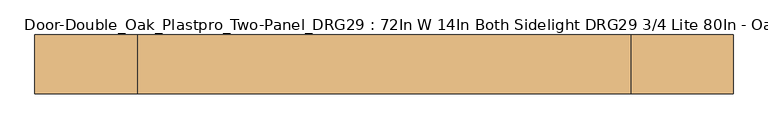
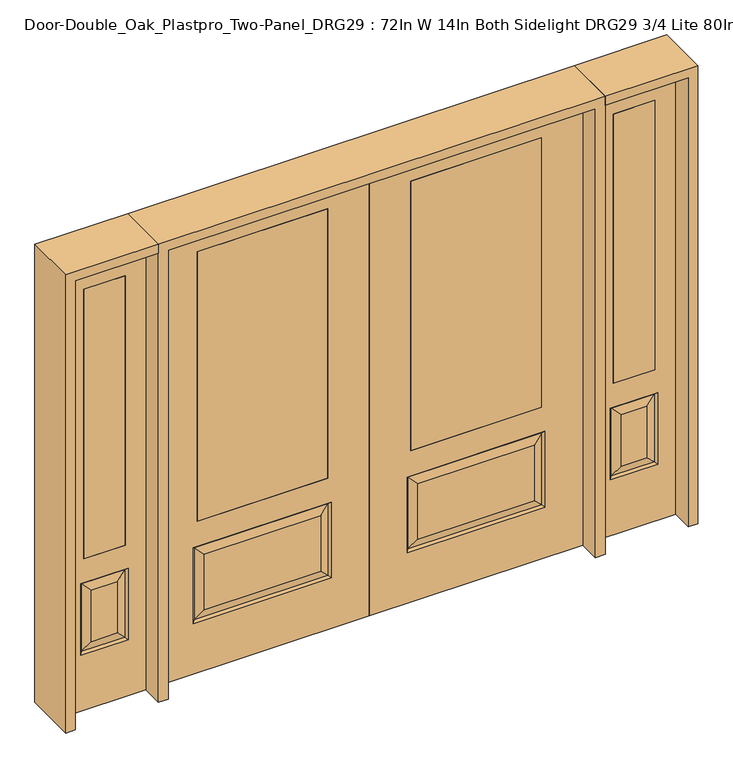
"""IFC4 building model written with IfcOpenShell, lengths in millimetres: door geometry, Door-Double_Oak_Plastpro_Two-Panel_DRG29 : 72In W 14In Both Sidelight DRG29 3/4 Lite 80In - Oak."""

import ifcopenshell
import ifcopenshell.guid

model = None  # the IFC model being written
_history = None  # IfcOwnerHistory: only IFC2X3 demands one
_inside = {}  # id of a spatial element -> (the spatial element, [elements in it])
_under = {}  # id of a project, library or spatial element -> (it, [spatial elements below it])
_declared = {}  # id of a project -> (the project, [libraries it declares])
_typed = {}  # id of a type object -> (the type object, [elements of that type])
_made_of = {}  # id of a material, layer set ... -> (it, [elements and type objects made of it])


def new_model(schema):
    """Start an empty IFC model of exactly this schema.

    Asked for "IFC4X3", IfcOpenShell would pick the latest addendum, in which some entities
    have other attributes; the version numbers below select the first issue.
    IFC2X3 requires an IfcOwnerHistory on every rooted entity: one is made here for all.
    """
    global model, _history
    if schema == "IFC4X3":
        model = ifcopenshell.file(schema_version=(4, 3, 0, 0))
    else:
        model = ifcopenshell.file(schema=schema)
    _inside.clear()
    _under.clear()
    _declared.clear()
    _typed.clear()
    _made_of.clear()
    _history = None
    if model.schema == "IFC2X3":
        org = make("IfcOrganization", Name="unknown")
        user = make(
            "IfcPersonAndOrganization",
            ThePerson=make("IfcPerson", FamilyName="unknown"),
            TheOrganization=org,
        )
        app = make(
            "IfcApplication",
            ApplicationDeveloper=org,
            Version="unknown",
            ApplicationFullName="unknown",
            ApplicationIdentifier="unknown",
        )
        _history = make(
            "IfcOwnerHistory",
            OwningUser=user,
            OwningApplication=app,
            ChangeAction="ADDED",
            CreationDate=0,
        )
    return model


def make(cls, **values):
    """One entity of the class cls with the attributes given. An attribute that is None is left unset."""
    return model.create_entity(
        cls, **{name: value for name, value in values.items() if value is not None}
    )


def rooted(cls, **values):
    """An entity with a GlobalId (a new one), such as an element, a storey or a relation."""
    return make(cls, GlobalId=ifcopenshell.guid.new(), OwnerHistory=_history, **values)


def si_unit(unit_type, name, prefix=None):
    """IfcSIUnit, for example si_unit("LENGTHUNIT", "METRE", prefix="MILLI")."""
    return make("IfcSIUnit", UnitType=unit_type, Prefix=prefix, Name=name)


def assignment(units):
    """IfcUnitAssignment: the units of a project."""
    return None if units is None else make("IfcUnitAssignment", Units=units)


def point(xyz):
    """IfcCartesianPoint."""
    return None if xyz is None else make("IfcCartesianPoint", Coordinates=xyz)


def direction(xyz):
    """IfcDirection."""
    return None if xyz is None else make("IfcDirection", DirectionRatios=xyz)


def frame(location, z_axis=None, x_axis=None):
    """IfcAxis2Placement3D, a coordinate frame: its origin and axes. An axis left out is left unset."""
    return make(
        "IfcAxis2Placement3D",
        Location=point(location),
        Axis=direction(z_axis),
        RefDirection=direction(x_axis),
    )


def origin():
    """The frame at (0, 0, 0) with its axes left unset."""
    return frame((0.0, 0.0, 0.0))


def place(relative_to, where):
    """IfcLocalPlacement: puts the frame where relative to a parent placement (None: the world)."""
    return make(
        "IfcLocalPlacement", PlacementRelTo=relative_to, RelativePlacement=where
    )


def context(
    kind, dimensions, precision=None, world=None, true_north=None, identifier=None
):
    """IfcGeometricRepresentationContext, for example the 3D "Model" context."""
    return make(
        "IfcGeometricRepresentationContext",
        ContextIdentifier=identifier,
        ContextType=kind,
        CoordinateSpaceDimension=dimensions,
        Precision=precision,
        WorldCoordinateSystem=world,
        TrueNorth=true_north,
    )


def project(units=None, contexts=None):
    """IfcProject with its units and contexts."""
    return rooted(
        "IfcProject",
        Name="project",
        RepresentationContexts=contexts,
        UnitsInContext=assignment(units),
    )


def spatial(cls, under=None, at=None, **own):
    """A site, building, storey or space (cls), placed at a placement, below another one or the project."""
    s = rooted(cls, ObjectPlacement=at, **own)
    if under is not None:
        _under.setdefault(under.id(), (under, []))[1].append(s)
    return s


def polyline(points):
    """IfcPolyline through the points."""
    return make("IfcPolyline", Points=[point(p) for p in points])


def outline(outer, holes=None, kind="AREA"):
    """IfcArbitraryClosedProfileDef: a profile drawn as a closed curve; with holes, ...WithVoids."""
    if holes is None:
        return make("IfcArbitraryClosedProfileDef", ProfileType=kind, OuterCurve=outer)
    return make(
        "IfcArbitraryProfileDefWithVoids",
        ProfileType=kind,
        OuterCurve=outer,
        InnerCurves=holes,
    )


def extrude(swept, where, along, depth):
    """IfcExtrudedAreaSolid: the profile swept, set in the frame where, extruded along a direction by depth."""
    return make(
        "IfcExtrudedAreaSolid",
        SweptArea=swept,
        Position=where,
        ExtrudedDirection=direction(along),
        Depth=depth,
    )


def faces_of(points, faces, orient=None, outer=None):
    """IfcFace entities. A face is a list of loops; a loop is a list of indices into points, from 0.

    orient and outer hold one flag for each loop. By default every Orientation is true, the
    first loop of a face is its IfcFaceOuterBound and the others are IfcFaceBound.
    """
    made = []
    for i, loops in enumerate(faces):
        bounds = []
        for j, loop in enumerate(loops):
            is_outer = j == 0 if outer is None else outer[i][j]
            bounds.append(
                make(
                    "IfcFaceOuterBound" if is_outer else "IfcFaceBound",
                    Bound=make("IfcPolyLoop", Polygon=[points[k] for k in loop]),
                    Orientation=True if orient is None else orient[i][j],
                )
            )
        made.append(make("IfcFace", Bounds=bounds))
    return made


def faceted_brep(points, faces, orient=None, outer=None, voids=None):
    """IfcFacetedBrep: a solid bounded by flat faces; with voids (closed shells), ...WithVoids."""
    shared = [point(p) for p in points]
    hull = make("IfcClosedShell", CfsFaces=faces_of(shared, faces, orient, outer))
    if voids is None:
        return make("IfcFacetedBrep", Outer=hull)
    return make(
        "IfcFacetedBrepWithVoids",
        Outer=hull,
        Voids=[
            make(cls, CfsFaces=faces_of(shared, fs, o, b)) for cls, fs, o, b in voids
        ],
    )


def shape(context_of_items, identifier, shape_type, items):
    """IfcShapeRepresentation: the items that make up one representation, for example the "Body"."""
    return make(
        "IfcShapeRepresentation",
        ContextOfItems=context_of_items,
        RepresentationIdentifier=identifier,
        RepresentationType=shape_type,
        Items=items,
    )


def source(mapping_origin, context_of_items, identifier, shape_type, items):
    """IfcRepresentationMap: a shape defined once, which mapped items show again and again."""
    return make(
        "IfcRepresentationMap",
        MappingOrigin=mapping_origin,
        MappedRepresentation=shape(context_of_items, identifier, shape_type, items),
    )


def transform(
    local_origin,
    x_axis=None,
    y_axis=None,
    z_axis=None,
    scale=None,
    scale2=None,
    scale3=None,
    uniform=True,
):
    """IfcCartesianTransformationOperator3D, or its non-uniform kind. x_axis, y_axis, z_axis: its Axis1, 2, 3."""
    if uniform:
        return make(
            "IfcCartesianTransformationOperator3D",
            Axis1=direction(x_axis),
            Axis2=direction(y_axis),
            LocalOrigin=point(local_origin),
            Scale=scale,
            Axis3=direction(z_axis),
        )
    return make(
        "IfcCartesianTransformationOperator3DnonUniform",
        Axis1=direction(x_axis),
        Axis2=direction(y_axis),
        LocalOrigin=point(local_origin),
        Scale=scale,
        Axis3=direction(z_axis),
        Scale2=scale2,
        Scale3=scale3,
    )


def mapped(mapping_source, mapping_target):
    """IfcMappedItem: shows the shape of a source again, moved by a transform."""
    return make(
        "IfcMappedItem", MappingSource=mapping_source, MappingTarget=mapping_target
    )


def made_of(thing, what):
    """Note that an element or type object is made of a material, layer set ...; save() writes the relation."""
    if what is not None:
        _made_of.setdefault(what.id(), (what, []))[1].append(thing)
    return thing


def element(
    cls,
    number,
    at=None,
    inside=None,
    cuts=None,
    type_object=None,
    material=None,
    context=None,
    identifier="Body",
    shape_type=None,
    held_by="IfcProductDefinitionShape",
    body=None,
    shapes=None,
    **own,
):
    """One element of the class cls, such as IfcWall. Its Tag is "e" and its number.

    at: its placement. inside: the storey or other place that contains it. cuts: it is an
    opening in that element (IfcRelVoidsElement). A single representation is given by context,
    identifier, shape_type and body (its items); several are given by shapes. held_by: the class
    of the entity that holds the representations. save() writes the other relations.
    """
    e = rooted(cls, Tag="e%d" % number, ObjectPlacement=at, **own)
    if body is not None:
        shapes = [shape(context, identifier, shape_type, body)]
    if shapes is not None:
        e.Representation = make(held_by, Representations=shapes)
    if inside is not None:
        _inside.setdefault(inside.id(), (inside, []))[1].append(e)
    if cuts is not None:
        rooted(
            "IfcRelVoidsElement", RelatingBuildingElement=cuts, RelatedOpeningElement=e
        )
    if type_object is not None:
        _typed.setdefault(type_object.id(), (type_object, []))[1].append(e)
    return made_of(e, material)


def aggregate(whole, parts):
    """IfcRelAggregates: a whole, such as a stair, and the parts it consists of."""
    return rooted("IfcRelAggregates", RelatingObject=whole, RelatedObjects=parts)


def save(model, path):
    """Write the relations noted so far, then the file.

    IfcRelAggregates (storeys below a building ...), IfcRelContainedInSpatialStructure (elements
    in a storey), IfcRelDefinesByType, IfcRelAssociatesMaterial and IfcRelDeclares: one each for
    every whole, place, type object, material and project.
    """
    for whole, parts in _under.values():
        aggregate(whole, parts)
    for where, things in _inside.values():
        rooted(
            "IfcRelContainedInSpatialStructure",
            RelatedElements=things,
            RelatingStructure=where,
        )
    for kind, things in _typed.values():
        rooted("IfcRelDefinesByType", RelatedObjects=things, RelatingType=kind)
    for what, things in _made_of.values():
        rooted("IfcRelAssociatesMaterial", RelatedObjects=things, RelatingMaterial=what)
    for by, libraries in _declared.values():
        rooted("IfcRelDeclares", RelatingContext=by, RelatedDefinitions=libraries)
    model.write(path)


def door_double_oak_plastpro_two_panel_drg29_72in_w_14in_both_79844843(model_context):
    return source(origin(), model_context, "Body", "SolidModel", [
        extrude(outline(polyline([(736.6, -20.6375), (177.8, -20.6375), (177.8, 20.6375), (736.6, 20.6375), (736.6, -20.6375)])), frame((0.0, 0.0, 685.8), z_axis=(0.0, 0.0, 1.0), x_axis=(1.0, 0.0, 0.0)), (0.0, 0.0, 1.0), 1219.2),
        faceted_brep([(706.3224548, -20.6375, 274.7525452), (706.3224548, -20.6375, 525.3474548), (208.0775452, -20.6375, 525.3474548), (208.0775452, -20.6375, 274.7525452), (0.0, -20.6375, 2032.0), (0.0, -20.6375, 0.0), (914.4, -20.6375, 0.0), (914.4, -20.6375, 2032.0), (162.0400452, -20.6375, 228.7150452), (162.0400452, -20.6375, 571.3849548), (752.3599548, -20.6375, 571.3849548), (752.3599548, -20.6375, 228.7150452), (736.6, -20.6375, 1905.0), (736.6, -20.6375, 685.8), (177.8, -20.6375, 685.8), (177.8, -20.6375, 1905.0), (736.6, 20.6375, 1905.0), (736.6, 20.6375, 685.8), (177.8, 20.6375, 685.8), (208.0775452, 20.6375, 274.7525452), (208.0775452, 20.6375, 525.3474548), (706.3224548, 20.6375, 525.3474548), (706.3224548, 20.6375, 274.7525452), (914.4, 20.6375, 2032.0), (914.4, 20.6375, 0.0), (0.0, 20.6375, 0.0), (0.0, 20.6375, 2032.0), (752.3599548, 20.6375, 228.7150452), (752.3599548, 20.6375, 571.3849548), (162.0400452, 20.6375, 571.3849548), (162.0400452, 20.6375, 228.7150452), (177.8, 20.6375, 1905.0), (171.0203014, -11.6572439, 237.6953014), (743.3796986, -11.6572439, 237.6953014), (743.3796986, -11.6572439, 562.4046986), (171.0203014, -11.6572439, 562.4046986), (171.0203014, 11.6572439, 237.6953014), (743.3796986, 11.6572439, 237.6953014), (743.3796986, 11.6572439, 562.4046986), (171.0203014, 11.6572439, 562.4046986)], [[[0, 1, 2, 3]], [[4, 5, 6, 7], [8, 9, 10, 11], [12, 13, 14, 15]], [[16, 17, 13, 12]], [[17, 18, 14, 13]], [[19, 20, 21, 22]], [[23, 24, 25, 26], [27, 28, 29, 30], [31, 18, 17, 16]], [[15, 14, 18, 31]], [[6, 5, 25, 24]], [[7, 6, 24, 23]], [[26, 25, 5, 4]], [[32, 8, 11, 33]], [[11, 10, 34, 33]], [[10, 9, 35, 34]], [[32, 35, 9, 8]], [[33, 0, 3, 32]], [[3, 2, 35, 32]], [[34, 35, 2, 1]], [[33, 34, 1, 0]], [[36, 19, 22, 37]], [[22, 21, 38, 37]], [[21, 20, 39, 38]], [[36, 39, 20, 19]], [[37, 27, 30, 36]], [[30, 29, 39, 36]], [[38, 39, 29, 28]], [[37, 38, 28, 27]], [[12, 15, 31, 16]], [[7, 23, 26, 4]]]),
        extrude(outline(polyline([(-736.6, -20.6375), (-736.6, 20.6375), (-177.8, 20.6375), (-177.8, -20.6375), (-736.6, -20.6375)])), frame((0.0, 0.0, 685.8), z_axis=(0.0, 0.0, 1.0), x_axis=(1.0, 0.0, 0.0)), (0.0, 0.0, 1.0), 1219.2),
        faceted_brep([(-706.3224548, -20.6375, 274.7525452), (-208.0775452, -20.6375, 274.7525452), (-208.0775452, -20.6375, 525.3474548), (-706.3224548, -20.6375, 525.3474548), (0.0, -20.6375, 2032.0), (-914.4, -20.6375, 2032.0), (-914.4, -20.6375, 0.0), (0.0, -20.6375, 0.0), (-162.0400452, -20.6375, 228.7150452), (-752.3599548, -20.6375, 228.7150452), (-752.3599548, -20.6375, 571.3849548), (-162.0400452, -20.6375, 571.3849548), (-736.6, -20.6375, 1905.0), (-177.8, -20.6375, 1905.0), (-177.8, -20.6375, 685.8), (-736.6, -20.6375, 685.8), (-736.6, 20.6375, 1905.0), (-736.6, 20.6375, 685.8), (-177.8, 20.6375, 685.8), (-208.0775452, 20.6375, 274.7525452), (-706.3224548, 20.6375, 274.7525452), (-706.3224548, 20.6375, 525.3474548), (-208.0775452, 20.6375, 525.3474548), (-914.4, 20.6375, 2032.0), (0.0, 20.6375, 2032.0), (0.0, 20.6375, 0.0), (-914.4, 20.6375, 0.0), (-752.3599548, 20.6375, 228.7150452), (-162.0400452, 20.6375, 228.7150452), (-162.0400452, 20.6375, 571.3849548), (-752.3599548, 20.6375, 571.3849548), (-177.8, 20.6375, 1905.0), (-171.0203014, -11.6572439, 237.6953014), (-743.3796986, -11.6572439, 237.6953014), (-743.3796986, -11.6572439, 562.4046986), (-171.0203014, -11.6572439, 562.4046986), (-171.0203014, 11.6572439, 237.6953014), (-743.3796986, 11.6572439, 237.6953014), (-743.3796986, 11.6572439, 562.4046986), (-171.0203014, 11.6572439, 562.4046986)], [[[0, 1, 2, 3]], [[4, 5, 6, 7], [8, 9, 10, 11], [12, 13, 14, 15]], [[16, 12, 15, 17]], [[17, 15, 14, 18]], [[19, 20, 21, 22]], [[23, 24, 25, 26], [27, 28, 29, 30], [31, 16, 17, 18]], [[13, 31, 18, 14]], [[6, 26, 25, 7]], [[5, 23, 26, 6]], [[24, 4, 7, 25]], [[32, 33, 9, 8]], [[9, 33, 34, 10]], [[10, 34, 35, 11]], [[32, 8, 11, 35]], [[33, 32, 1, 0]], [[1, 32, 35, 2]], [[34, 3, 2, 35]], [[33, 0, 3, 34]], [[36, 37, 20, 19]], [[20, 37, 38, 21]], [[21, 38, 39, 22]], [[36, 19, 22, 39]], [[37, 36, 28, 27]], [[28, 36, 39, 29]], [[38, 30, 29, 39]], [[37, 27, 30, 38]], [[12, 16, 31, 13]], [[5, 4, 24, 23]]]),
        extrude(outline(polyline([(1222.375, -20.6375), (1044.575, -20.6375), (1044.575, 20.6375), (1222.375, 20.6375), (1222.375, -20.6375)])), frame((0.0, 0.0, 685.8), z_axis=(0.0, 0.0, 1.0), x_axis=(1.0, 0.0, 0.0)), (0.0, 0.0, 1.0), 1219.2),
        faceted_brep([(1222.375, -20.6375, 1905.0), (1044.575, -20.6375, 1905.0), (1044.575, 20.6375, 1905.0), (1222.375, 20.6375, 1905.0), (1188.9224548, -20.6375, 531.6974548), (1078.0275452, -20.6375, 531.6974548), (1078.0275452, -20.6375, 300.1525452), (1188.9224548, -20.6375, 300.1525452), (955.675, -20.6375, 2032.0), (955.675, -20.6375, 0.0), (1311.275, -20.6375, 0.0), (1311.275, -20.6375, 2032.0), (1222.375, -20.6375, 685.8), (1044.575, -20.6375, 685.8), (1234.9599548, -20.6375, 254.1150452), (1031.9900452, -20.6375, 254.1150452), (1031.9900452, -20.6375, 577.7349548), (1234.9599548, -20.6375, 577.7349548), (1225.9796986, 11.6572439, 568.7546986), (1234.9599548, 20.6375, 577.7349548), (1234.9599548, 20.6375, 254.1150452), (1225.9796986, 11.6572439, 263.0953014), (1040.9703014, 11.6572439, 568.7546986), (1031.9900452, 20.6375, 577.7349548), (1188.9224548, 20.6375, 300.1525452), (1188.9224548, 20.6375, 531.6974548), (1222.375, 20.6375, 685.8), (1044.575, 20.6375, 685.8), (1040.9703014, -11.6572439, 263.0953014), (1225.9796986, -11.6572439, 263.0953014), (1040.9703014, -11.6572439, 568.7546986), (1225.9796986, -11.6572439, 568.7546986), (955.675, 20.6375, 2032.0), (1311.275, 20.6375, 2032.0), (955.675, 20.6375, 0.0), (1311.275, 20.6375, 0.0), (1031.9900452, 20.6375, 254.1150452), (1078.0275452, 20.6375, 300.1525452), (1078.0275452, 20.6375, 531.6974548), (1040.9703014, 11.6572439, 263.0953014)], [[[0, 1, 2, 3]], [[4, 5, 6, 7]], [[8, 9, 10, 11], [0, 12, 13, 1], [14, 15, 16, 17]], [[18, 19, 20, 21]], [[18, 22, 23, 19]], [[21, 24, 25, 18]], [[26, 27, 13, 12]], [[7, 6, 28, 29]], [[6, 5, 30, 28]], [[29, 14, 17, 31]], [[32, 8, 11, 33]], [[34, 35, 10, 9]], [[32, 34, 9, 8]], [[11, 10, 35, 33]], [[33, 35, 34, 32], [19, 23, 36, 20], [2, 27, 26, 3]], [[24, 37, 38, 25]], [[20, 36, 39, 21]], [[36, 23, 22, 39]], [[25, 38, 22, 18]], [[39, 22, 38, 37]], [[21, 39, 37, 24]], [[3, 26, 12, 0]], [[1, 13, 27, 2]], [[31, 4, 7, 29]], [[31, 30, 5, 4]], [[17, 16, 30, 31]], [[28, 30, 16, 15]], [[29, 28, 15, 14]]]),
        extrude(outline(polyline([(-1222.375, -20.6375), (-1222.375, 20.6375), (-1044.575, 20.6375), (-1044.575, -20.6375), (-1222.375, -20.6375)])), frame((0.0, 0.0, 685.8), z_axis=(0.0, 0.0, 1.0), x_axis=(1.0, 0.0, 0.0)), (0.0, 0.0, 1.0), 1219.2),
        faceted_brep([(-1222.375, -20.6375, 1905.0), (-1222.375, 20.6375, 1905.0), (-1044.575, 20.6375, 1905.0), (-1044.575, -20.6375, 1905.0), (-1188.9224548, -20.6375, 531.6974548), (-1188.9224548, -20.6375, 300.1525452), (-1078.0275452, -20.6375, 300.1525452), (-1078.0275452, -20.6375, 531.6974548), (-955.675, -20.6375, 2032.0), (-1311.275, -20.6375, 2032.0), (-1311.275, -20.6375, 0.0), (-955.675, -20.6375, 0.0), (-1234.9599548, -20.6375, 254.1150452), (-1234.9599548, -20.6375, 577.7349548), (-1031.9900452, -20.6375, 577.7349548), (-1031.9900452, -20.6375, 254.1150452), (-1044.575, -20.6375, 685.8), (-1222.375, -20.6375, 685.8), (-1225.9796986, 11.6572439, 568.7546986), (-1225.9796986, 11.6572439, 263.0953014), (-1234.9599548, 20.6375, 254.1150452), (-1234.9599548, 20.6375, 577.7349548), (-1031.9900452, 20.6375, 577.7349548), (-1040.9703014, 11.6572439, 568.7546986), (-1188.9224548, 20.6375, 531.6974548), (-1188.9224548, 20.6375, 300.1525452), (-1222.375, 20.6375, 685.8), (-1044.575, 20.6375, 685.8), (-1225.9796986, -11.6572439, 263.0953014), (-1040.9703014, -11.6572439, 263.0953014), (-1040.9703014, -11.6572439, 568.7546986), (-1225.9796986, -11.6572439, 568.7546986), (-955.675, 20.6375, 2032.0), (-1311.275, 20.6375, 2032.0), (-955.675, 20.6375, 0.0), (-1311.275, 20.6375, 0.0), (-1031.9900452, 20.6375, 254.1150452), (-1078.0275452, 20.6375, 531.6974548), (-1078.0275452, 20.6375, 300.1525452), (-1040.9703014, 11.6572439, 263.0953014)], [[[0, 1, 2, 3]], [[4, 5, 6, 7]], [[8, 9, 10, 11], [12, 13, 14, 15], [0, 3, 16, 17]], [[18, 19, 20, 21]], [[18, 21, 22, 23]], [[19, 18, 24, 25]], [[26, 17, 16, 27]], [[5, 28, 29, 6]], [[6, 29, 30, 7]], [[28, 31, 13, 12]], [[32, 33, 9, 8]], [[34, 11, 10, 35]], [[32, 8, 11, 34]], [[9, 33, 35, 10]], [[33, 32, 34, 35], [21, 20, 36, 22], [2, 1, 26, 27]], [[25, 24, 37, 38]], [[20, 19, 39, 36]], [[36, 39, 23, 22]], [[24, 18, 23, 37]], [[39, 38, 37, 23]], [[19, 25, 38, 39]], [[1, 0, 17, 26]], [[3, 2, 27, 16]], [[31, 28, 5, 4]], [[31, 4, 7, 30]], [[13, 31, 30, 14]], [[29, 15, 14, 30]], [[28, 12, 15, 29]]]),
        extrude(outline(polyline([(2032.0, -955.675), (2073.275, -955.675), (2073.275, -1352.55), (0.0, -1352.55), (0.0, -1311.275), (2032.0, -1311.275), (2032.0, -955.675)])), frame((0.0, -114.3, 0.0), z_axis=(0.0, 1.0, 0.0), x_axis=(0.0, 0.0, 1.0)), (0.0, 0.0, 1.0), 228.6),
        extrude(outline(polyline([(2073.275, -955.675), (0.0, -955.675), (0.0, -914.4), (2032.0, -914.4), (2032.0, 914.4), (0.0, 914.4), (0.0, 955.675), (2073.275, 955.675), (2073.275, -955.675)])), frame((0.0, -114.3, 0.0), z_axis=(0.0, 1.0, 0.0), x_axis=(0.0, 0.0, 1.0)), (0.0, 0.0, 1.0), 228.6),
        extrude(outline(polyline([(0.0, 1311.275), (0.0, 1352.55), (2073.275, 1352.55), (2073.275, 955.675), (2032.0, 955.675), (2032.0, 1311.275), (0.0, 1311.275)])), frame((0.0, -114.3, 0.0), z_axis=(0.0, 1.0, 0.0), x_axis=(0.0, 0.0, 1.0)), (0.0, 0.0, 1.0), 228.6),
    ])


if __name__ == "__main__":
    model = new_model("IFC4")
    model_context = context("Model", 3, world=origin())
    ifc_project = project(units=[si_unit("LENGTHUNIT", "METRE", prefix="MILLI")], contexts=[model_context])
    site = spatial("IfcSite", under=ifc_project)
    building = spatial("IfcBuilding", under=site)
    placement = place(None, origin())
    door_double_oak_plastpro_two_panel_drg29_72in_w_14in_both_shape = door_double_oak_plastpro_two_panel_drg29_72in_w_14in_both_79844843(model_context)
    element("IfcDoor", 1, ObjectType="Door-Double_Oak_Plastpro_Two-Panel_DRG29 : 72In W 14In Both Sidelight DRG29 3/4 Lite 80In - Oak", at=placement, inside=building, context=model_context, shape_type="MappedRepresentation", body=[
        mapped(door_double_oak_plastpro_two_panel_drg29_72in_w_14in_both_shape, transform((0.0, 0.0, 0.0), x_axis=(1.0, 0.0, 0.0), y_axis=(0.0, 1.0, 0.0), z_axis=(0.0, 0.0, 1.0))),
    ])
    save(model, "model.ifc")
